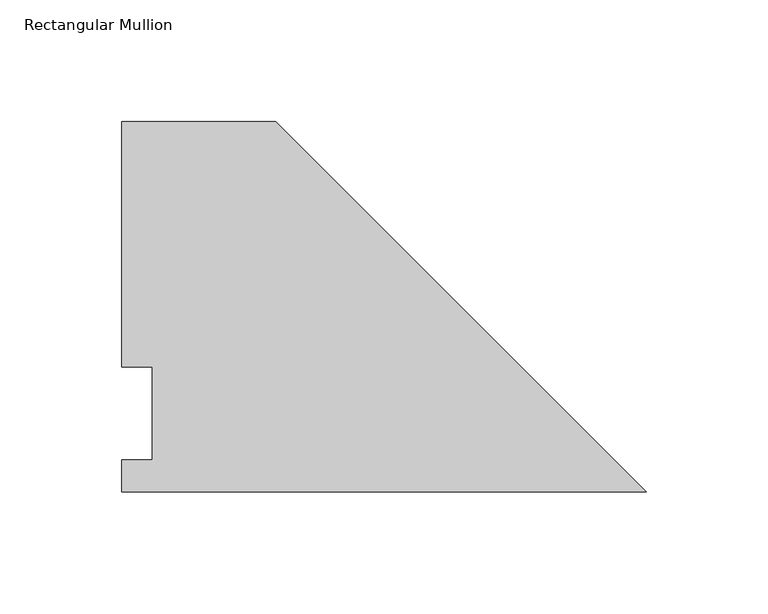
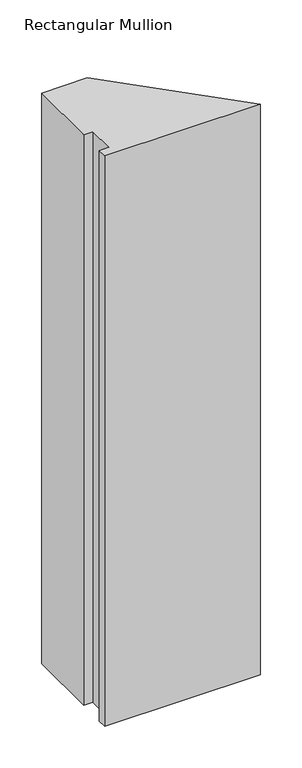
"""IFC4 building model written with IfcOpenShell, lengths in millimetres: member geometry, Rectangular Mullion."""

from ifc_helpers import new_model, si_unit, frame, origin, place, context, project, spatial, polyline, outline, extrude, source, transform, mapped, element, save


def rectangular_mullion_a8ba8ac4(model_context):
    return source(origin(), model_context, "Body", "SweptSolid", [
        extrude(outline(polyline([(-152.4853182, 152.4988119), (0.0, 0.0134938), (-215.9853182, 0.0134938), (-215.9853182, 13.1960938), (-203.2853182, 13.1960938), (-203.2853182, 51.2960938), (-215.9853182, 51.2960938), (-215.9853182, 152.4988119), (-152.4853182, 152.4988119)])), frame((0.0, 0.0, -838.2), z_axis=(0.0, 0.0, 1.0), x_axis=(1.0, 0.0, 0.0)), (0.0, 0.0, 1.0), 838.2),
    ])


if __name__ == "__main__":
    model = new_model("IFC4")
    model_context = context("Model", 3, world=origin())
    ifc_project = project(units=[si_unit("LENGTHUNIT", "METRE", prefix="MILLI")], contexts=[model_context])
    site = spatial("IfcSite", under=ifc_project)
    building = spatial("IfcBuilding", under=site)
    placement = place(None, origin())
    rectangular_mullion_shape = rectangular_mullion_a8ba8ac4(model_context)
    element("IfcMember", 1, ObjectType="Rectangular Mullion", at=placement, inside=building, context=model_context, shape_type="MappedRepresentation", body=[
        mapped(rectangular_mullion_shape, transform((0.0, 0.0, 0.0), x_axis=(1.0, 0.0, 0.0), y_axis=(0.0, 1.0, 0.0), z_axis=(0.0, 0.0, 1.0))),
    ])
    save(model, "model.ifc")
